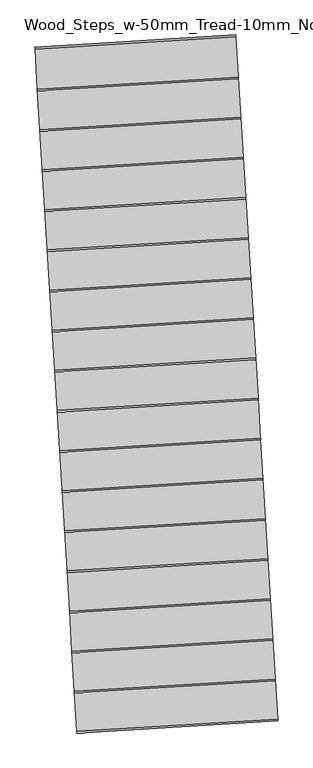
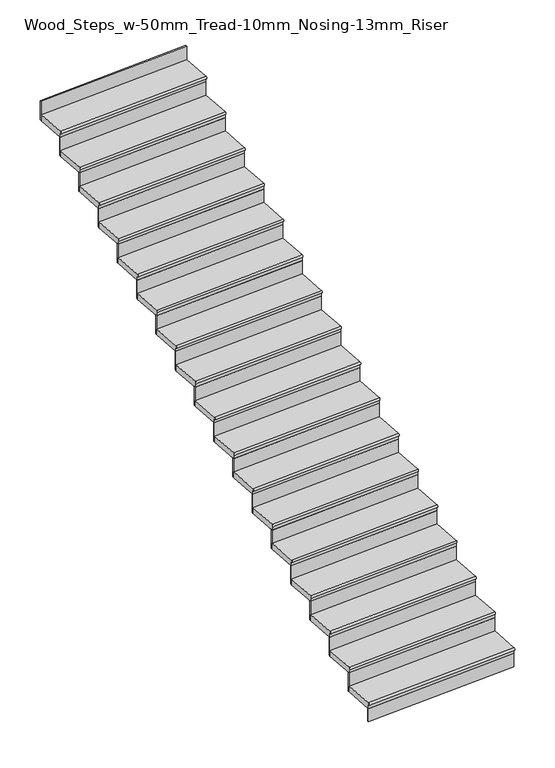
"""IFC4 building model written with IfcOpenShell, lengths in millimetres: stair flight geometry, Wood_Steps_w-50mm_Tread-10mm_Nosing-13mm_Riser."""

import ifcopenshell
import ifcopenshell.guid

model = None  # the IFC model being written
_history = None  # IfcOwnerHistory: only IFC2X3 demands one
_inside = {}  # id of a spatial element -> (the spatial element, [elements in it])
_under = {}  # id of a project, library or spatial element -> (it, [spatial elements below it])
_declared = {}  # id of a project -> (the project, [libraries it declares])
_typed = {}  # id of a type object -> (the type object, [elements of that type])
_made_of = {}  # id of a material, layer set ... -> (it, [elements and type objects made of it])


def new_model(schema):
    """Start an empty IFC model of exactly this schema.

    Asked for "IFC4X3", IfcOpenShell would pick the latest addendum, in which some entities
    have other attributes; the version numbers below select the first issue.
    IFC2X3 requires an IfcOwnerHistory on every rooted entity: one is made here for all.
    """
    global model, _history
    if schema == "IFC4X3":
        model = ifcopenshell.file(schema_version=(4, 3, 0, 0))
    else:
        model = ifcopenshell.file(schema=schema)
    _inside.clear()
    _under.clear()
    _declared.clear()
    _typed.clear()
    _made_of.clear()
    _history = None
    if model.schema == "IFC2X3":
        org = make("IfcOrganization", Name="unknown")
        user = make(
            "IfcPersonAndOrganization",
            ThePerson=make("IfcPerson", FamilyName="unknown"),
            TheOrganization=org,
        )
        app = make(
            "IfcApplication",
            ApplicationDeveloper=org,
            Version="unknown",
            ApplicationFullName="unknown",
            ApplicationIdentifier="unknown",
        )
        _history = make(
            "IfcOwnerHistory",
            OwningUser=user,
            OwningApplication=app,
            ChangeAction="ADDED",
            CreationDate=0,
        )
    return model


def make(cls, **values):
    """One entity of the class cls with the attributes given. An attribute that is None is left unset."""
    return model.create_entity(
        cls, **{name: value for name, value in values.items() if value is not None}
    )


def rooted(cls, **values):
    """An entity with a GlobalId (a new one), such as an element, a storey or a relation."""
    return make(cls, GlobalId=ifcopenshell.guid.new(), OwnerHistory=_history, **values)


def si_unit(unit_type, name, prefix=None):
    """IfcSIUnit, for example si_unit("LENGTHUNIT", "METRE", prefix="MILLI")."""
    return make("IfcSIUnit", UnitType=unit_type, Prefix=prefix, Name=name)


def assignment(units):
    """IfcUnitAssignment: the units of a project."""
    return None if units is None else make("IfcUnitAssignment", Units=units)


def point(xyz):
    """IfcCartesianPoint."""
    return None if xyz is None else make("IfcCartesianPoint", Coordinates=xyz)


def direction(xyz):
    """IfcDirection."""
    return None if xyz is None else make("IfcDirection", DirectionRatios=xyz)


def frame(location, z_axis=None, x_axis=None):
    """IfcAxis2Placement3D, a coordinate frame: its origin and axes. An axis left out is left unset."""
    return make(
        "IfcAxis2Placement3D",
        Location=point(location),
        Axis=direction(z_axis),
        RefDirection=direction(x_axis),
    )


def frame_2d(location, x_axis=None):
    """IfcAxis2Placement2D, a coordinate frame in the plane: its origin and x axis."""
    return make(
        "IfcAxis2Placement2D", Location=point(location), RefDirection=direction(x_axis)
    )


def origin():
    """The frame at (0, 0, 0) with its axes left unset."""
    return frame((0.0, 0.0, 0.0))


def place(relative_to, where):
    """IfcLocalPlacement: puts the frame where relative to a parent placement (None: the world)."""
    return make(
        "IfcLocalPlacement", PlacementRelTo=relative_to, RelativePlacement=where
    )


def context(
    kind, dimensions, precision=None, world=None, true_north=None, identifier=None
):
    """IfcGeometricRepresentationContext, for example the 3D "Model" context."""
    return make(
        "IfcGeometricRepresentationContext",
        ContextIdentifier=identifier,
        ContextType=kind,
        CoordinateSpaceDimension=dimensions,
        Precision=precision,
        WorldCoordinateSystem=world,
        TrueNorth=true_north,
    )


def project(units=None, contexts=None):
    """IfcProject with its units and contexts."""
    return rooted(
        "IfcProject",
        Name="project",
        RepresentationContexts=contexts,
        UnitsInContext=assignment(units),
    )


def spatial(cls, under=None, at=None, **own):
    """A site, building, storey or space (cls), placed at a placement, below another one or the project."""
    s = rooted(cls, ObjectPlacement=at, **own)
    if under is not None:
        _under.setdefault(under.id(), (under, []))[1].append(s)
    return s


def polyline(points):
    """IfcPolyline through the points."""
    return make("IfcPolyline", Points=[point(p) for p in points])


def circle_curve(where, radius):
    """IfcCircle in the frame where."""
    return make("IfcCircle", Position=where, Radius=radius)


def trimmed(basis, trim1, trim2, sense, master):
    """IfcTrimmedCurve: the piece of a basis curve between two trims."""
    return make(
        "IfcTrimmedCurve",
        BasisCurve=basis,
        Trim1=trim1,
        Trim2=trim2,
        SenseAgreement=sense,
        MasterRepresentation=master,
    )


def segment(curve, same_sense, transition):
    """IfcCompositeCurveSegment."""
    return make(
        "IfcCompositeCurveSegment",
        Transition=transition,
        SameSense=same_sense,
        ParentCurve=curve,
    )


def composite_curve(segments, self_intersect=None):
    """IfcCompositeCurve: segments joined end to end."""
    return make("IfcCompositeCurve", Segments=segments, SelfIntersect=self_intersect)


def outline(outer, holes=None, kind="AREA"):
    """IfcArbitraryClosedProfileDef: a profile drawn as a closed curve; with holes, ...WithVoids."""
    if holes is None:
        return make("IfcArbitraryClosedProfileDef", ProfileType=kind, OuterCurve=outer)
    return make(
        "IfcArbitraryProfileDefWithVoids",
        ProfileType=kind,
        OuterCurve=outer,
        InnerCurves=holes,
    )


def extrude(swept, where, along, depth):
    """IfcExtrudedAreaSolid: the profile swept, set in the frame where, extruded along a direction by depth."""
    return make(
        "IfcExtrudedAreaSolid",
        SweptArea=swept,
        Position=where,
        ExtrudedDirection=direction(along),
        Depth=depth,
    )


def shape(context_of_items, identifier, shape_type, items):
    """IfcShapeRepresentation: the items that make up one representation, for example the "Body"."""
    return make(
        "IfcShapeRepresentation",
        ContextOfItems=context_of_items,
        RepresentationIdentifier=identifier,
        RepresentationType=shape_type,
        Items=items,
    )


def source(mapping_origin, context_of_items, identifier, shape_type, items):
    """IfcRepresentationMap: a shape defined once, which mapped items show again and again."""
    return make(
        "IfcRepresentationMap",
        MappingOrigin=mapping_origin,
        MappedRepresentation=shape(context_of_items, identifier, shape_type, items),
    )


def transform(
    local_origin,
    x_axis=None,
    y_axis=None,
    z_axis=None,
    scale=None,
    scale2=None,
    scale3=None,
    uniform=True,
):
    """IfcCartesianTransformationOperator3D, or its non-uniform kind. x_axis, y_axis, z_axis: its Axis1, 2, 3."""
    if uniform:
        return make(
            "IfcCartesianTransformationOperator3D",
            Axis1=direction(x_axis),
            Axis2=direction(y_axis),
            LocalOrigin=point(local_origin),
            Scale=scale,
            Axis3=direction(z_axis),
        )
    return make(
        "IfcCartesianTransformationOperator3DnonUniform",
        Axis1=direction(x_axis),
        Axis2=direction(y_axis),
        LocalOrigin=point(local_origin),
        Scale=scale,
        Axis3=direction(z_axis),
        Scale2=scale2,
        Scale3=scale3,
    )


def mapped(mapping_source, mapping_target):
    """IfcMappedItem: shows the shape of a source again, moved by a transform."""
    return make(
        "IfcMappedItem", MappingSource=mapping_source, MappingTarget=mapping_target
    )


def made_of(thing, what):
    """Note that an element or type object is made of a material, layer set ...; save() writes the relation."""
    if what is not None:
        _made_of.setdefault(what.id(), (what, []))[1].append(thing)
    return thing


def element(
    cls,
    number,
    at=None,
    inside=None,
    cuts=None,
    type_object=None,
    material=None,
    context=None,
    identifier="Body",
    shape_type=None,
    held_by="IfcProductDefinitionShape",
    body=None,
    shapes=None,
    **own,
):
    """One element of the class cls, such as IfcWall. Its Tag is "e" and its number.

    at: its placement. inside: the storey or other place that contains it. cuts: it is an
    opening in that element (IfcRelVoidsElement). A single representation is given by context,
    identifier, shape_type and body (its items); several are given by shapes. held_by: the class
    of the entity that holds the representations. save() writes the other relations.
    """
    e = rooted(cls, Tag="e%d" % number, ObjectPlacement=at, **own)
    if body is not None:
        shapes = [shape(context, identifier, shape_type, body)]
    if shapes is not None:
        e.Representation = make(held_by, Representations=shapes)
    if inside is not None:
        _inside.setdefault(inside.id(), (inside, []))[1].append(e)
    if cuts is not None:
        rooted(
            "IfcRelVoidsElement", RelatingBuildingElement=cuts, RelatedOpeningElement=e
        )
    if type_object is not None:
        _typed.setdefault(type_object.id(), (type_object, []))[1].append(e)
    return made_of(e, material)


def aggregate(whole, parts):
    """IfcRelAggregates: a whole, such as a stair, and the parts it consists of."""
    return rooted("IfcRelAggregates", RelatingObject=whole, RelatedObjects=parts)


def save(model, path):
    """Write the relations noted so far, then the file.

    IfcRelAggregates (storeys below a building ...), IfcRelContainedInSpatialStructure (elements
    in a storey), IfcRelDefinesByType, IfcRelAssociatesMaterial and IfcRelDeclares: one each for
    every whole, place, type object, material and project.
    """
    for whole, parts in _under.values():
        aggregate(whole, parts)
    for where, things in _inside.values():
        rooted(
            "IfcRelContainedInSpatialStructure",
            RelatedElements=things,
            RelatingStructure=where,
        )
    for kind, things in _typed.values():
        rooted("IfcRelDefinesByType", RelatedObjects=things, RelatingType=kind)
    for what, things in _made_of.values():
        rooted("IfcRelAssociatesMaterial", RelatedObjects=things, RelatingMaterial=what)
    for by, libraries in _declared.values():
        rooted("IfcRelDeclares", RelatingContext=by, RelatedDefinitions=libraries)
    model.write(path)


def wood_steps_w_50mm_tread_10mm_nosing_13mm_riser_90760938(model_context):
    return source(origin(), model_context, "Body", "SweptSolid", [
        extrude(outline(composite_curve([segment(polyline([(0.0, -250.0), (0.0, 0.0), (50.0, 0.0), (50.0, -250.0), (20.0, -250.0)]), True, "CONTINUOUS"), segment(trimmed(circle_curve(frame_2d((10.0, -250.0)), 10.0), [point((20.0, -250.0))], [point((0.0, -250.0))], False, "CARTESIAN"), True, "CONTINUOUS")], self_intersect=False)), frame((17762.6071793, 22508.3703017, 7166.6666667), z_axis=(0.9981226455915593, 0.061246913043080574, 0.0), x_axis=(0.0, 0.0, -1.0)), (0.0, 0.0, 1.0), 1251.134314),
        extrude(outline(polyline([(19025.9388126, 22347.9442879), (19026.704399, 22335.4677549), (17777.9189075, 22258.8396403), (17777.1533211, 22271.3161734), (19025.9388126, 22347.9442879)])), frame((0.0, 0.0, 7000.0), z_axis=(0.0, 0.0, 1.0), x_axis=(1.0, 0.0, 0.0)), (0.0, 0.0, 1.0), 116.6666667),
        extrude(outline(polyline([(19010.6270843, 22597.4749493), (19011.3926708, 22584.9984163), (17762.6071793, 22508.3703017), (17761.8415929, 22520.8468348), (19010.6270843, 22597.4749493)])), frame((0.0, 0.0, 7116.6666667), z_axis=(0.0, 0.0, 1.0), x_axis=(1.0, 0.0, 0.0)), (0.0, 0.0, 1.0), 166.6666667),
        extrude(outline(composite_curve([segment(polyline([(0.0, -250.0), (0.0, 0.0), (50.0, 0.0), (50.0, -250.0), (20.0, -250.0)]), True, "CONTINUOUS"), segment(trimmed(circle_curve(frame_2d((10.0, -250.0)), 10.0), [point((20.0, -250.0))], [point((0.0, -250.0))], False, "CARTESIAN"), True, "CONTINUOUS")], self_intersect=False)), frame((17747.295451, 22757.9009631, 7333.3333333), z_axis=(0.9981226455915593, 0.061246913043080574, 0.0), x_axis=(0.0, 0.0, -1.0)), (0.0, 0.0, 1.0), 1251.134314),
        extrude(outline(polyline([(18995.3153561, 22847.0056107), (18996.0809425, 22834.5290777), (17747.295451, 22757.9009631), (17746.5298646, 22770.3774962), (18995.3153561, 22847.0056107)])), frame((0.0, 0.0, 7283.3333333), z_axis=(0.0, 0.0, 1.0), x_axis=(1.0, 0.0, 0.0)), (0.0, 0.0, 1.0), 166.6666667),
        extrude(outline(composite_curve([segment(polyline([(0.0, -250.0), (0.0, 0.0), (50.0, 0.0), (50.0, -250.0), (20.0, -250.0)]), True, "CONTINUOUS"), segment(trimmed(circle_curve(frame_2d((10.0, -250.0)), 10.0), [point((20.0, -250.0))], [point((0.0, -250.0))], False, "CARTESIAN"), True, "CONTINUOUS")], self_intersect=False)), frame((17731.9837227, 23007.4316245, 7500.0), z_axis=(0.9981226455915593, 0.061246913043080574, 0.0), x_axis=(0.0, 0.0, -1.0)), (0.0, 0.0, 1.0), 1251.134314),
        extrude(outline(polyline([(18980.0036278, 23096.5362721), (18980.7692142, 23084.0597391), (17731.9837227, 23007.4316245), (17731.2181363, 23019.9081576), (18980.0036278, 23096.5362721)])), frame((0.0, 0.0, 7450.0), z_axis=(0.0, 0.0, 1.0), x_axis=(1.0, 0.0, 0.0)), (0.0, 0.0, 1.0), 166.6666667),
        extrude(outline(composite_curve([segment(polyline([(0.0, -250.0), (0.0, 0.0), (50.0, 0.0), (50.0, -250.0), (20.0, -250.0)]), True, "CONTINUOUS"), segment(trimmed(circle_curve(frame_2d((10.0, -250.0)), 10.0), [point((20.0, -250.0))], [point((0.0, -250.0))], False, "CARTESIAN"), True, "CONTINUOUS")], self_intersect=False)), frame((17716.6719945, 23256.9622859, 7666.6666667), z_axis=(0.9981226455915593, 0.061246913043080574, 0.0), x_axis=(0.0, 0.0, -1.0)), (0.0, 0.0, 1.0), 1251.134314),
        extrude(outline(polyline([(18964.6918996, 23346.0669335), (18965.457486, 23333.5904005), (17716.6719945, 23256.9622859), (17715.9064081, 23269.438819), (18964.6918996, 23346.0669335)])), frame((0.0, 0.0, 7616.6666667), z_axis=(0.0, 0.0, 1.0), x_axis=(1.0, 0.0, 0.0)), (0.0, 0.0, 1.0), 166.6666667),
        extrude(outline(composite_curve([segment(polyline([(0.0, -250.0), (0.0, 0.0), (50.0, 0.0), (50.0, -250.0), (20.0, -250.0)]), True, "CONTINUOUS"), segment(trimmed(circle_curve(frame_2d((10.0, -250.0)), 10.0), [point((20.0, -250.0))], [point((0.0, -250.0))], False, "CARTESIAN"), True, "CONTINUOUS")], self_intersect=False)), frame((17701.3602662, 23506.4929473, 7833.3333333), z_axis=(0.9981226455915593, 0.061246913043080574, 0.0), x_axis=(0.0, 0.0, -1.0)), (0.0, 0.0, 1.0), 1251.134314),
        extrude(outline(polyline([(18949.3801713, 23595.5975949), (18950.1457577, 23583.1210619), (17701.3602662, 23506.4929473), (17700.5946798, 23518.9694804), (18949.3801713, 23595.5975949)])), frame((0.0, 0.0, 7783.3333333), z_axis=(0.0, 0.0, 1.0), x_axis=(1.0, 0.0, 0.0)), (0.0, 0.0, 1.0), 166.6666667),
        extrude(outline(composite_curve([segment(polyline([(0.0, -250.0), (0.0, 0.0), (50.0, 0.0), (50.0, -250.0), (20.0, -250.0)]), True, "CONTINUOUS"), segment(trimmed(circle_curve(frame_2d((10.0, -250.0)), 10.0), [point((20.0, -250.0))], [point((0.0, -250.0))], False, "CARTESIAN"), True, "CONTINUOUS")], self_intersect=False)), frame((17686.048538, 23756.0236087, 8000.0), z_axis=(0.9981226455915593, 0.061246913043080574, 0.0), x_axis=(0.0, 0.0, -1.0)), (0.0, 0.0, 1.0), 1251.134314),
        extrude(outline(polyline([(18934.068443, 23845.1282563), (18934.8340295, 23832.6517233), (17686.048538, 23756.0236087), (17685.2829516, 23768.5001418), (18934.068443, 23845.1282563)])), frame((0.0, 0.0, 7950.0), z_axis=(0.0, 0.0, 1.0), x_axis=(1.0, 0.0, 0.0)), (0.0, 0.0, 1.0), 166.6666667),
        extrude(outline(composite_curve([segment(polyline([(0.0, -250.0), (0.0, 0.0), (50.0, 0.0), (50.0, -250.0), (20.0, -250.0)]), True, "CONTINUOUS"), segment(trimmed(circle_curve(frame_2d((10.0, -250.0)), 10.0), [point((20.0, -250.0))], [point((0.0, -250.0))], False, "CARTESIAN"), True, "CONTINUOUS")], self_intersect=False)), frame((17670.7368097, 24005.5542701, 8166.6666667), z_axis=(0.9981226455915593, 0.061246913043080574, 0.0), x_axis=(0.0, 0.0, -1.0)), (0.0, 0.0, 1.0), 1251.134314),
        extrude(outline(polyline([(18918.7567148, 24094.6589177), (18919.5223012, 24082.1823847), (17670.7368097, 24005.5542701), (17669.9712233, 24018.0308032), (18918.7567148, 24094.6589177)])), frame((0.0, 0.0, 8116.6666667), z_axis=(0.0, 0.0, 1.0), x_axis=(1.0, 0.0, 0.0)), (0.0, 0.0, 1.0), 166.6666667),
        extrude(outline(composite_curve([segment(polyline([(0.0, -250.0), (0.0, 0.0), (50.0, 0.0), (50.0, -250.0), (20.0, -250.0)]), True, "CONTINUOUS"), segment(trimmed(circle_curve(frame_2d((10.0, -250.0)), 10.0), [point((20.0, -250.0))], [point((0.0, -250.0))], False, "CARTESIAN"), True, "CONTINUOUS")], self_intersect=False)), frame((17655.4250814, 24255.0849315, 8333.3333333), z_axis=(0.9981226455915593, 0.061246913043080574, 0.0), x_axis=(0.0, 0.0, -1.0)), (0.0, 0.0, 1.0), 1251.134314),
        extrude(outline(polyline([(18903.4449865, 24344.1895791), (18904.2105729, 24331.7130461), (17655.4250814, 24255.0849315), (17654.659495, 24267.5614646), (18903.4449865, 24344.1895791)])), frame((0.0, 0.0, 8283.3333333), z_axis=(0.0, 0.0, 1.0), x_axis=(1.0, 0.0, 0.0)), (0.0, 0.0, 1.0), 166.6666667),
        extrude(outline(composite_curve([segment(polyline([(0.0, -250.0), (0.0, 0.0), (50.0, 0.0), (50.0, -250.0), (20.0, -250.0)]), True, "CONTINUOUS"), segment(trimmed(circle_curve(frame_2d((10.0, -250.0)), 10.0), [point((20.0, -250.0))], [point((0.0, -250.0))], False, "CARTESIAN"), True, "CONTINUOUS")], self_intersect=False)), frame((17640.1133532, 24504.6155929, 8500.0), z_axis=(0.9981226455915593, 0.061246913043080574, 0.0), x_axis=(0.0, 0.0, -1.0)), (0.0, 0.0, 1.0), 1251.134314),
        extrude(outline(polyline([(18888.1332583, 24593.7202405), (18888.8988447, 24581.2437075), (17640.1133532, 24504.6155929), (17639.3477668, 24517.092126), (18888.1332583, 24593.7202405)])), frame((0.0, 0.0, 8450.0), z_axis=(0.0, 0.0, 1.0), x_axis=(1.0, 0.0, 0.0)), (0.0, 0.0, 1.0), 166.6666667),
        extrude(outline(composite_curve([segment(polyline([(0.0, -250.0), (0.0, 0.0), (50.0, 0.0), (50.0, -250.0), (20.0, -250.0)]), True, "CONTINUOUS"), segment(trimmed(circle_curve(frame_2d((10.0, -250.0)), 10.0), [point((20.0, -250.0))], [point((0.0, -250.0))], False, "CARTESIAN"), True, "CONTINUOUS")], self_intersect=False)), frame((17624.8016249, 24754.1462543, 8666.6666667), z_axis=(0.9981226455915593, 0.061246913043080574, 0.0), x_axis=(0.0, 0.0, -1.0)), (0.0, 0.0, 1.0), 1251.134314),
        extrude(outline(polyline([(18872.82153, 24843.2509019), (18873.5871164, 24830.7743689), (17624.8016249, 24754.1462543), (17624.0360385, 24766.6227874), (18872.82153, 24843.2509019)])), frame((0.0, 0.0, 8616.6666667), z_axis=(0.0, 0.0, 1.0), x_axis=(1.0, 0.0, 0.0)), (0.0, 0.0, 1.0), 166.6666667),
        extrude(outline(composite_curve([segment(polyline([(0.0, -250.0), (0.0, 0.0), (50.0, 0.0), (50.0, -250.0), (20.0, -250.0)]), True, "CONTINUOUS"), segment(trimmed(circle_curve(frame_2d((10.0, -250.0)), 10.0), [point((20.0, -250.0))], [point((0.0, -250.0))], False, "CARTESIAN"), True, "CONTINUOUS")], self_intersect=False)), frame((17609.4898967, 25003.6769157, 8833.3333333), z_axis=(0.9981226455915593, 0.061246913043080574, 0.0), x_axis=(0.0, 0.0, -1.0)), (0.0, 0.0, 1.0), 1251.134314),
        extrude(outline(polyline([(18857.5098017, 25092.7815633), (18858.2753882, 25080.3050303), (17609.4898967, 25003.6769157), (17608.7243103, 25016.1534488), (18857.5098017, 25092.7815633)])), frame((0.0, 0.0, 8783.3333333), z_axis=(0.0, 0.0, 1.0), x_axis=(1.0, 0.0, 0.0)), (0.0, 0.0, 1.0), 166.6666667),
        extrude(outline(composite_curve([segment(polyline([(0.0, -250.0), (0.0, 0.0), (50.0, 0.0), (50.0, -250.0), (20.0, -250.0)]), True, "CONTINUOUS"), segment(trimmed(circle_curve(frame_2d((10.0, -250.0)), 10.0), [point((20.0, -250.0))], [point((0.0, -250.0))], False, "CARTESIAN"), True, "CONTINUOUS")], self_intersect=False)), frame((17594.1781684, 25253.2075771, 9000.0), z_axis=(0.9981226455915593, 0.061246913043080574, 0.0), x_axis=(0.0, 0.0, -1.0)), (0.0, 0.0, 1.0), 1251.134314),
        extrude(outline(polyline([(18842.1980735, 25342.3122247), (18842.9636599, 25329.8356917), (17594.1781684, 25253.2075771), (17593.412582, 25265.6841102), (18842.1980735, 25342.3122247)])), frame((0.0, 0.0, 8950.0), z_axis=(0.0, 0.0, 1.0), x_axis=(1.0, 0.0, 0.0)), (0.0, 0.0, 1.0), 166.6666667),
        extrude(outline(composite_curve([segment(polyline([(0.0, -250.0), (0.0, 0.0), (50.0, 0.0), (50.0, -250.0), (20.0, -250.0)]), True, "CONTINUOUS"), segment(trimmed(circle_curve(frame_2d((10.0, -250.0)), 10.0), [point((20.0, -250.0))], [point((0.0, -250.0))], False, "CARTESIAN"), True, "CONTINUOUS")], self_intersect=False)), frame((17578.8664401, 25502.7382385, 9166.6666667), z_axis=(0.9981226455915593, 0.061246913043080574, 0.0), x_axis=(0.0, 0.0, -1.0)), (0.0, 0.0, 1.0), 1251.134314),
        extrude(outline(polyline([(18826.8863452, 25591.8428861), (18827.6519316, 25579.3663531), (17578.8664401, 25502.7382385), (17578.1008537, 25515.2147716), (18826.8863452, 25591.8428861)])), frame((0.0, 0.0, 9116.6666667), z_axis=(0.0, 0.0, 1.0), x_axis=(1.0, 0.0, 0.0)), (0.0, 0.0, 1.0), 166.6666667),
        extrude(outline(composite_curve([segment(polyline([(0.0, -250.0), (0.0, 0.0), (50.0, 0.0), (50.0, -250.0), (20.0, -250.0)]), True, "CONTINUOUS"), segment(trimmed(circle_curve(frame_2d((10.0, -250.0)), 10.0), [point((20.0, -250.0))], [point((0.0, -250.0))], False, "CARTESIAN"), True, "CONTINUOUS")], self_intersect=False)), frame((17563.5547119, 25752.2688999, 9333.3333333), z_axis=(0.9981226455915593, 0.061246913043080574, 0.0), x_axis=(0.0, 0.0, -1.0)), (0.0, 0.0, 1.0), 1251.134314),
        extrude(outline(polyline([(18811.574617, 25841.3735475), (18812.3402034, 25828.8970144), (17563.5547119, 25752.2688999), (17562.7891255, 25764.745433), (18811.574617, 25841.3735475)])), frame((0.0, 0.0, 9283.3333333), z_axis=(0.0, 0.0, 1.0), x_axis=(1.0, 0.0, 0.0)), (0.0, 0.0, 1.0), 166.6666667),
        extrude(outline(composite_curve([segment(polyline([(0.0, -250.0), (0.0, 0.0), (50.0, 0.0), (50.0, -250.0), (20.0, -250.0)]), True, "CONTINUOUS"), segment(trimmed(circle_curve(frame_2d((10.0, -250.0)), 10.0), [point((20.0, -250.0))], [point((0.0, -250.0))], False, "CARTESIAN"), True, "CONTINUOUS")], self_intersect=False)), frame((17548.2429836, 26001.7995613, 9500.0), z_axis=(0.9981226455915593, 0.061246913043080574, 0.0), x_axis=(0.0, 0.0, -1.0)), (0.0, 0.0, 1.0), 1251.134314),
        extrude(outline(polyline([(18796.2628887, 26090.9042089), (18797.0284751, 26078.4276758), (17548.2429836, 26001.7995613), (17547.4773972, 26014.2760944), (18796.2628887, 26090.9042089)])), frame((0.0, 0.0, 9450.0), z_axis=(0.0, 0.0, 1.0), x_axis=(1.0, 0.0, 0.0)), (0.0, 0.0, 1.0), 166.6666667),
        extrude(outline(composite_curve([segment(polyline([(0.0, -250.0), (0.0, 0.0), (50.0, 0.0), (50.0, -250.0), (20.0, -250.0)]), True, "CONTINUOUS"), segment(trimmed(circle_curve(frame_2d((10.0, -250.0)), 10.0), [point((20.0, -250.0))], [point((0.0, -250.0))], False, "CARTESIAN"), True, "CONTINUOUS")], self_intersect=False)), frame((17532.9312554, 26251.3302227, 9666.6666667), z_axis=(0.9981226455915593, 0.061246913043080574, 0.0), x_axis=(0.0, 0.0, -1.0)), (0.0, 0.0, 1.0), 1251.134314),
        extrude(outline(polyline([(18780.9511604, 26340.4348703), (18781.7167469, 26327.9583372), (17532.9312554, 26251.3302227), (17532.1656689, 26263.8067558), (18780.9511604, 26340.4348703)])), frame((0.0, 0.0, 9616.6666667), z_axis=(0.0, 0.0, 1.0), x_axis=(1.0, 0.0, 0.0)), (0.0, 0.0, 1.0), 166.6666667),
        extrude(outline(polyline([(18765.6394322, 26589.9655317), (18766.4050186, 26577.4889986), (17517.6195271, 26500.8608841), (17516.8539407, 26513.3374172), (18765.6394322, 26589.9655317)])), frame((0.0, 0.0, 9783.3333333), z_axis=(0.0, 0.0, 1.0), x_axis=(1.0, 0.0, 0.0)), (0.0, 0.0, 1.0), 166.6666667),
        extrude(outline(composite_curve([segment(polyline([(0.0, -250.0), (0.0, 0.0), (50.0, 0.0), (50.0, -250.0), (20.0, -250.0)]), True, "CONTINUOUS"), segment(trimmed(circle_curve(frame_2d((10.0, -250.0)), 10.0), [point((20.0, -250.0))], [point((0.0, -250.0))], False, "CARTESIAN"), True, "CONTINUOUS")], self_intersect=False)), frame((17517.6195271, 26500.8608841, 9833.3333333), z_axis=(0.9981226455915593, 0.061246913043080574, 0.0), x_axis=(0.0, 0.0, -1.0)), (0.0, 0.0, 1.0), 1251.134314),
    ])


if __name__ == "__main__":
    model = new_model("IFC4")
    model_context = context("Model", 3, world=origin())
    ifc_project = project(units=[si_unit("LENGTHUNIT", "METRE", prefix="MILLI")], contexts=[model_context])
    site = spatial("IfcSite", under=ifc_project)
    building = spatial("IfcBuilding", under=site)
    placement = place(None, origin())
    wood_steps_w_50mm_tread_10mm_nosing_13mm_riser_shape = wood_steps_w_50mm_tread_10mm_nosing_13mm_riser_90760938(model_context)
    element("IfcStairFlight", 1, ObjectType="Wood_Steps_w-50mm_Tread-10mm_Nosing-13mm_Riser", at=placement, inside=building, context=model_context, shape_type="MappedRepresentation", body=[
        mapped(wood_steps_w_50mm_tread_10mm_nosing_13mm_riser_shape, transform((0.0, 0.0, 0.0), x_axis=(1.0, 0.0, 0.0), y_axis=(0.0, 1.0, 0.0), z_axis=(0.0, 0.0, 1.0))),
    ])
    save(model, "model.ifc")
